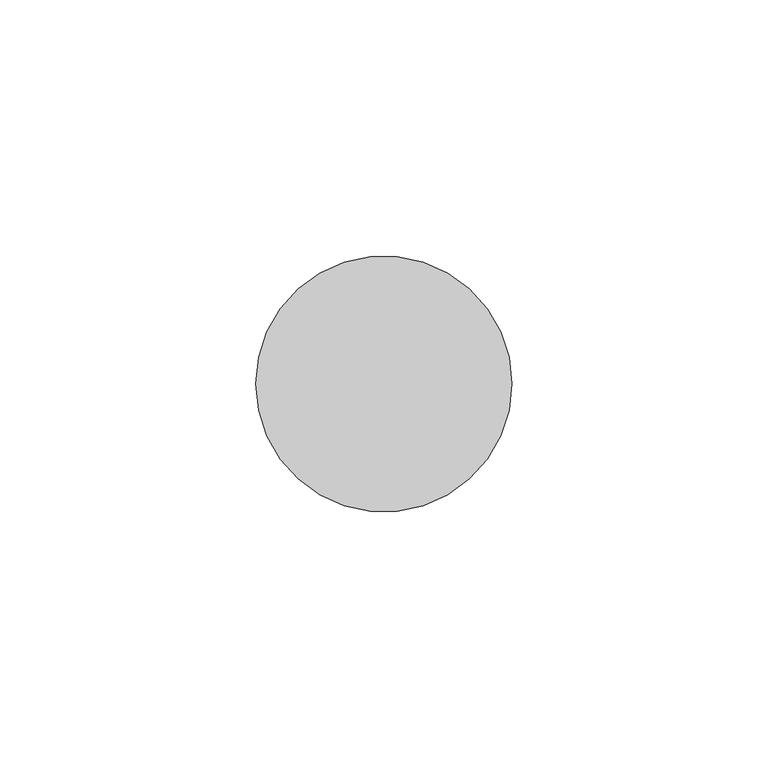
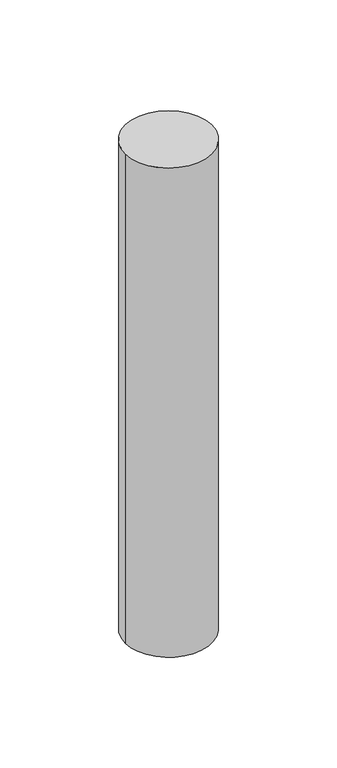
"""IFC4 building model written with IfcOpenShell, lengths in millimetres: member geometry."""

from ifc_helpers import new_model, si_unit, point, frame, origin, origin_2d, place, context, project, spatial, circle_curve, trimmed, segment, composite_curve, outline, extrude, source, transform, mapped, element, save


def member_3b069033(model_context):
    return source(origin(), model_context, "Body", "SweptSolid", [
        extrude(outline(composite_curve([segment(trimmed(circle_curve(origin_2d(), 25.0), [point((25.0, 0.0))], [point((-25.0, 0.0))], False, "CARTESIAN"), True, "CONTINUOUS"), segment(trimmed(circle_curve(origin_2d(), 25.0), [point((-25.0, 0.0))], [point((25.0, 0.0))], False, "CARTESIAN"), True, "CONTINUOUS")], self_intersect=False)), frame((0.0, 0.0, -298.4260157), z_axis=(0.0, 0.0, 1.0), x_axis=(1.0, 0.0, 0.0)), (0.0, 0.0, 1.0), 298.4260157),
    ])


if __name__ == "__main__":
    model = new_model("IFC4")
    model_context = context("Model", 3, world=origin())
    ifc_project = project(units=[si_unit("LENGTHUNIT", "METRE", prefix="MILLI")], contexts=[model_context])
    site = spatial("IfcSite", under=ifc_project)
    building = spatial("IfcBuilding", under=site)
    placement = place(None, origin())
    member_shape = member_3b069033(model_context)
    element("IfcMember", 1, at=placement, inside=building, context=model_context, shape_type="MappedRepresentation", body=[
        mapped(member_shape, transform((0.0, 0.0, 0.0), x_axis=(1.0, 0.0, 0.0), y_axis=(0.0, 1.0, 0.0), z_axis=(0.0, 0.0, 1.0))),
    ])
    save(model, "model.ifc")
